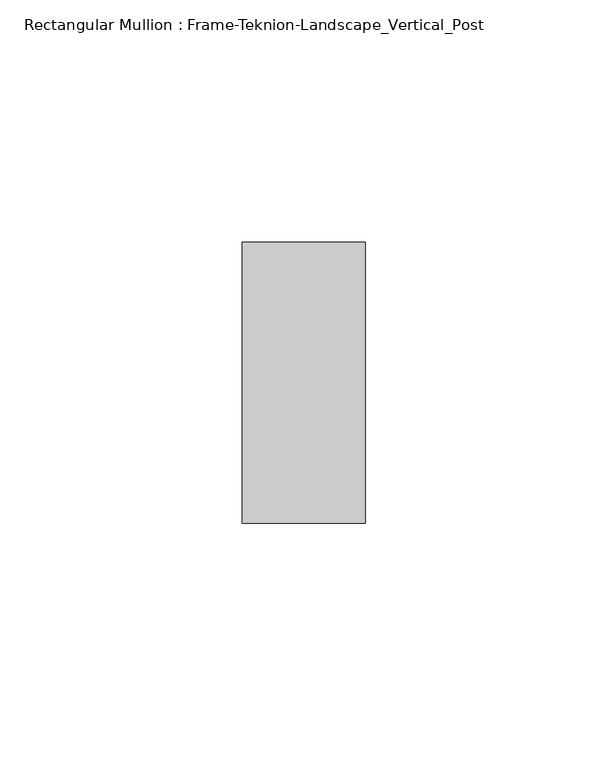
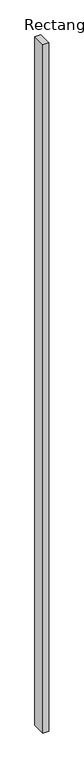
"""IFC4 building model written with IfcOpenShell, lengths in millimetres: member geometry, Rectangular Mullion : Frame-Teknion-Landscape_Vertical_Post."""

from ifc_helpers import new_model, si_unit, frame, origin, place, context, project, spatial, polyline, outline, extrude, source, transform, mapped, element, save


def rectangular_mullion_frame_teknion_landscape_vertical_post_1f714de7(model_context):
    return source(origin(), model_context, "Body", "SweptSolid", [
        extrude(outline(polyline([(0.0, -28.971875), (-25.4, -28.971875), (-25.4, 28.971875), (0.0, 28.971875), (0.0, -28.971875)])), frame((0.0, 0.0, -3048.0), z_axis=(0.0, 0.0, 1.0), x_axis=(1.0, 0.0, 0.0)), (0.0, 0.0, 1.0), 3048.0),
    ])


if __name__ == "__main__":
    model = new_model("IFC4")
    model_context = context("Model", 3, world=origin())
    ifc_project = project(units=[si_unit("LENGTHUNIT", "METRE", prefix="MILLI")], contexts=[model_context])
    site = spatial("IfcSite", under=ifc_project)
    building = spatial("IfcBuilding", under=site)
    placement = place(None, origin())
    rectangular_mullion_frame_teknion_landscape_vertical_post_shape = rectangular_mullion_frame_teknion_landscape_vertical_post_1f714de7(model_context)
    element("IfcMember", 1, ObjectType="Rectangular Mullion : Frame-Teknion-Landscape_Vertical_Post", at=placement, inside=building, context=model_context, shape_type="MappedRepresentation", body=[
        mapped(rectangular_mullion_frame_teknion_landscape_vertical_post_shape, transform((0.0, 0.0, 0.0), x_axis=(1.0, 0.0, 0.0), y_axis=(0.0, 1.0, 0.0), z_axis=(0.0, 0.0, 1.0))),
    ])
    save(model, "model.ifc")
